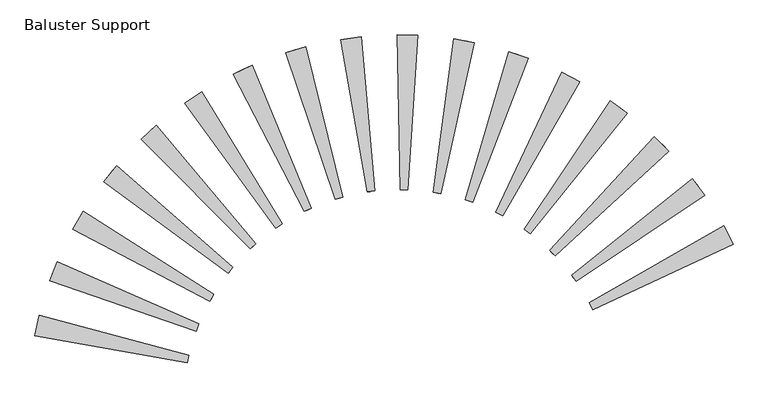
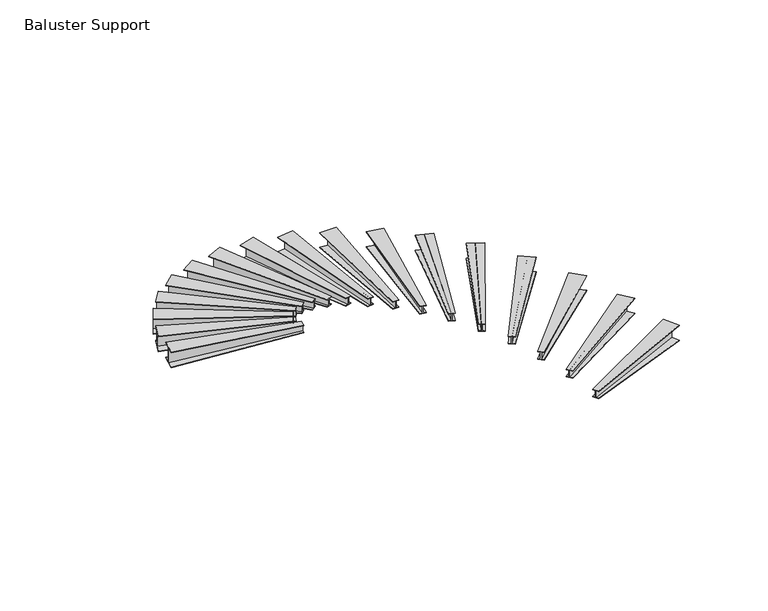
"""IFC4 building model written with IfcOpenShell, lengths in millimetres: railing geometry, Baluster Support."""

from ifc_helpers import new_model, si_unit, origin, place, context, project, spatial, faceted_brep, source, transform, mapped, element, save


def baluster_support_330a12c6(model_context):
    return source(origin(), model_context, "Body", "Brep", [
        faceted_brep([(3503.5731122, -2504.9448572, 2834.9222222), (3487.0601742, -2579.334123, 2834.9222222), (3487.0601742, -2579.334123, 2828.5722222), (3493.940565, -2548.3385956, 2828.5722222), (3493.940565, -2548.3385956, 2739.6722222), (3487.0601742, -2579.334123, 2739.6722222), (3487.0601742, -2579.334123, 2733.3222222), (3503.5731122, -2504.9448572, 2733.3222222), (3503.5731122, -2504.9448572, 2739.6722222), (3496.6927214, -2535.9403846, 2739.6722222), (3496.6927214, -2535.9403846, 2828.5722222), (3503.5731122, -2504.9448572, 2828.5722222), (2029.5485761, -2112.6950427, 2834.9222222), (2029.5485761, -2112.6950427, 2828.5722222), (2008.9074036, -2205.6816251, 2828.5722222), (2008.9074036, -2205.6816251, 2638.0722222), (2029.5485761, -2112.6950427, 2638.0722222), (2029.5485761, -2112.6950427, 2631.7222222), (1985.5140748, -2311.0664184, 2631.7222222), (1985.5140748, -2311.0664184, 2638.0722222), (2006.1552473, -2218.0798361, 2638.0722222), (2006.1552473, -2218.0798361, 2828.5722222), (1985.5140748, -2311.0664184, 2828.5722222), (1985.5140748, -2311.0664184, 2834.9222222)], [[[0, 1, 2, 3, 4, 5, 6, 7, 8, 9, 10, 11]], [[12, 13, 14, 15, 16, 17, 18, 19, 20, 21, 22, 23]], [[12, 23, 1, 0]], [[23, 22, 2, 1]], [[22, 21, 3, 2]], [[21, 20, 4, 3]], [[20, 19, 5, 4]], [[19, 18, 6, 5]], [[18, 17, 7, 6]], [[17, 16, 8, 7]], [[16, 15, 9, 8]], [[15, 14, 10, 9]], [[14, 13, 11, 10]], [[13, 12, 0, 11]]]),
        faceted_brep([(3603.7628621, -2195.0358626, 2672.6444444), (3576.1213979, -2266.0456468, 2672.6444444), (3576.1213979, -2266.0456468, 2666.2944444), (3587.6386746, -2236.4582367, 2666.2944444), (3587.6386746, -2236.4582367, 2577.3944444), (3576.1213979, -2266.0456468, 2577.3944444), (3576.1213979, -2266.0456468, 2571.0444444), (3603.7628621, -2195.0358626, 2571.0444444), (3603.7628621, -2195.0358626, 2577.3944444), (3592.2455853, -2224.6232727, 2577.3944444), (3592.2455853, -2224.6232727, 2666.2944444), (3603.7628621, -2195.0358626, 2666.2944444), (2206.6017313, -1583.0317576, 2672.6444444), (2206.6017313, -1583.0317576, 2666.2944444), (2172.049901, -1671.7939878, 2666.2944444), (2172.049901, -1671.7939878, 2475.7944444), (2206.6017313, -1583.0317576, 2475.7944444), (2206.6017313, -1583.0317576, 2469.4444444), (2132.89116, -1772.3911822, 2469.4444444), (2132.89116, -1772.3911822, 2475.7944444), (2167.4429903, -1683.6289519, 2475.7944444), (2167.4429903, -1683.6289519, 2666.2944444), (2132.89116, -1772.3911822, 2666.2944444), (2132.89116, -1772.3911822, 2672.6444444)], [[[0, 1, 2, 3, 4, 5, 6, 7, 8, 9, 10, 11]], [[12, 13, 14, 15, 16, 17, 18, 19, 20, 21, 22, 23]], [[12, 23, 1, 0]], [[23, 22, 2, 1]], [[22, 21, 3, 2]], [[21, 20, 4, 3]], [[20, 19, 5, 4]], [[19, 18, 6, 5]], [[18, 17, 7, 6]], [[17, 16, 8, 7]], [[16, 15, 9, 8]], [[15, 14, 10, 9]], [[14, 13, 11, 10]], [[13, 12, 0, 11]]]),
        faceted_brep([(3749.9488511, -1903.9839298, 2510.3666667), (3711.8227874, -1969.9600109, 2510.3666667), (3711.8227874, -1969.9600109, 2504.0166667), (3727.7086472, -1942.4699771, 2504.0166667), (3727.7086472, -1942.4699771, 2415.1166667), (3711.8227874, -1969.9600109, 2415.1166667), (3711.8227874, -1969.9600109, 2408.7666667), (3749.9488511, -1903.9839298, 2408.7666667), (3749.9488511, -1903.9839298, 2415.1166667), (3734.0629912, -1931.4739636, 2415.1166667), (3734.0629912, -1931.4739636, 2504.0166667), (3749.9488511, -1903.9839298, 2504.0166667), (2462.1989502, -1086.4825887, 2510.3666667), (2462.1989502, -1086.4825887, 2504.0166667), (2414.5413706, -1168.95269, 2504.0166667), (2414.5413706, -1168.95269, 2313.5166667), (2462.1989502, -1086.4825887, 2313.5166667), (2462.1989502, -1086.4825887, 2307.1666667), (2360.529447, -1262.4188048, 2307.1666667), (2360.529447, -1262.4188048, 2313.5166667), (2408.1870266, -1179.9487035, 2313.5166667), (2408.1870266, -1179.9487035, 2504.0166667), (2360.529447, -1262.4188048, 2504.0166667), (2360.529447, -1262.4188048, 2510.3666667)], [[[0, 1, 2, 3, 4, 5, 6, 7, 8, 9, 10, 11]], [[12, 13, 14, 15, 16, 17, 18, 19, 20, 21, 22, 23]], [[12, 23, 1, 0]], [[23, 22, 2, 1]], [[22, 21, 3, 2]], [[21, 20, 4, 3]], [[20, 19, 5, 4]], [[19, 18, 6, 5]], [[18, 17, 7, 6]], [[17, 16, 8, 7]], [[16, 15, 9, 8]], [[15, 14, 10, 9]], [[14, 13, 11, 10]], [[13, 12, 0, 11]]]),
        faceted_brep([(3938.7255764, -1638.5693129, 2348.0888889), (3891.003086, -1697.9747328, 2348.0888889), (3891.003086, -1697.9747328, 2341.7388889), (3910.887457, -1673.2224745, 2341.7388889), (3910.887457, -1673.2224745, 2252.8388889), (3891.003086, -1697.9747328, 2252.8388889), (3891.003086, -1697.9747328, 2246.4888889), (3938.7255764, -1638.5693129, 2246.4888889), (3938.7255764, -1638.5693129, 2252.8388889), (3918.8412054, -1663.3215712, 2252.8388889), (3918.8412054, -1663.3215712, 2341.7388889), (3938.7255764, -1638.5693129, 2341.7388889), (2790.3859206, -634.6149887, 2348.0888889), (2790.3859206, -634.6149887, 2341.7388889), (2730.7328076, -708.8717636, 2341.7388889), (2730.7328076, -708.8717636, 2151.2388889), (2790.3859206, -634.6149887, 2151.2388889), (2790.3859206, -634.6149887, 2144.8888889), (2663.1259463, -793.0294418, 2144.8888889), (2663.1259463, -793.0294418, 2151.2388889), (2722.7790592, -718.7726669, 2151.2388889), (2722.7790592, -718.7726669, 2341.7388889), (2663.1259463, -793.0294418, 2341.7388889), (2663.1259463, -793.0294418, 2348.0888889)], [[[0, 1, 2, 3, 4, 5, 6, 7, 8, 9, 10, 11]], [[12, 13, 14, 15, 16, 17, 18, 19, 20, 21, 22, 23]], [[12, 23, 1, 0]], [[23, 22, 2, 1]], [[22, 21, 3, 2]], [[21, 20, 4, 3]], [[20, 19, 5, 4]], [[19, 18, 6, 5]], [[18, 17, 7, 6]], [[17, 16, 8, 7]], [[16, 15, 9, 8]], [[15, 14, 10, 9]], [[14, 13, 11, 10]], [[13, 12, 0, 11]]]),
        faceted_brep([(4165.6953551, -1404.9750269, 2185.8111111), (4109.4881661, -1456.4258957, 2185.8111111), (4109.4881661, -1456.4258957, 2179.4611111), (4132.9078282, -1434.9880337, 2179.4611111), (4132.9078282, -1434.9880337, 2090.5611111), (4109.4881661, -1456.4258957, 2090.5611111), (4109.4881661, -1456.4258957, 2084.2111111), (4165.6953551, -1404.9750269, 2084.2111111), (4165.6953551, -1404.9750269, 2090.5611111), (4142.275693, -1426.4128889, 2090.5611111), (4142.275693, -1426.4128889, 2179.4611111), (4165.6953551, -1404.9750269, 2179.4611111), (3183.5173025, -237.9555227, 2185.8111111), (3183.5173025, -237.9555227, 2179.4611111), (3113.2583163, -302.2691088, 2179.4611111), (3113.2583163, -302.2691088, 1988.9611111), (3183.5173025, -237.9555227, 1988.9611111), (3183.5173025, -237.9555227, 1982.6111111), (3033.6314652, -375.1578396, 1982.6111111), (3033.6314652, -375.1578396, 1988.9611111), (3103.8904514, -310.8442536, 1988.9611111), (3103.8904514, -310.8442536, 2179.4611111), (3033.6314652, -375.1578396, 2179.4611111), (3033.6314652, -375.1578396, 2185.8111111)], [[[0, 1, 2, 3, 4, 5, 6, 7, 8, 9, 10, 11]], [[12, 13, 14, 15, 16, 17, 18, 19, 20, 21, 22, 23]], [[12, 23, 1, 0]], [[23, 22, 2, 1]], [[22, 21, 3, 2]], [[21, 20, 4, 3]], [[20, 19, 5, 4]], [[19, 18, 6, 5]], [[18, 17, 7, 6]], [[17, 16, 8, 7]], [[16, 15, 9, 8]], [[15, 14, 10, 9]], [[14, 13, 11, 10]], [[13, 12, 0, 11]]]),
        faceted_brep([(4425.5707709, -1208.6428105, 2023.5333333), (4362.1882682, -1250.9405451, 2023.5333333), (4362.1882682, -1250.9405451, 2017.1833333), (4388.5976443, -1233.316489, 2017.1833333), (4388.5976443, -1233.316489, 1928.2833333), (4362.1882682, -1250.9405451, 1928.2833333), (4362.1882682, -1250.9405451, 1921.9333333), (4425.5707709, -1208.6428105, 1921.9333333), (4425.5707709, -1208.6428105, 1928.2833333), (4399.1613948, -1226.2668666, 1928.2833333), (4399.1613948, -1226.2668666, 2017.1833333), (4425.5707709, -1208.6428105, 2017.1833333), (3632.4348314, 94.2553557, 2023.5333333), (3632.4348314, 94.2553557, 2017.1833333), (3553.206703, 41.3831874, 2017.1833333), (3553.206703, 41.3831874, 1826.6833333), (3632.4348314, 94.2553557, 1826.6833333), (3632.4348314, 94.2553557, 1820.3333333), (3463.4148242, -18.5386032, 1820.3333333), (3463.4148242, -18.5386032, 1826.6833333), (3542.6429525, 34.333565, 1826.6833333), (3542.6429525, 34.333565, 2017.1833333), (3463.4148242, -18.5386032, 2017.1833333), (3463.4148242, -18.5386032, 2023.5333333)], [[[0, 1, 2, 3, 4, 5, 6, 7, 8, 9, 10, 11]], [[12, 13, 14, 15, 16, 17, 18, 19, 20, 21, 22, 23]], [[12, 23, 1, 0]], [[23, 22, 2, 1]], [[22, 21, 3, 2]], [[21, 20, 4, 3]], [[20, 19, 5, 4]], [[19, 18, 6, 5]], [[18, 17, 7, 6]], [[17, 16, 8, 7]], [[16, 15, 9, 8]], [[15, 14, 10, 9]], [[14, 13, 11, 10]], [[13, 12, 0, 11]]]),
        faceted_brep([(4712.2978481, -1054.1463571, 1861.2555556), (4643.2165705, -1086.3056028, 1861.2555556), (4643.2165705, -1086.3056028, 1854.9055556), (4672.0004362, -1072.9059171, 1854.9055556), (4672.0004362, -1072.9059171, 1766.0055556), (4643.2165705, -1086.3056028, 1766.0055556), (4643.2165705, -1086.3056028, 1759.6555556), (4712.2978481, -1054.1463571, 1759.6555556), (4712.2978481, -1054.1463571, 1766.0055556), (4683.5139825, -1067.5460428, 1766.0055556), (4683.5139825, -1067.5460428, 1854.9055556), (4712.2978481, -1054.1463571, 1854.9055556), (4126.6806661, 354.2785667, 1861.2555556), (4126.6806661, 354.2785667, 1854.9055556), (4040.3290691, 314.0795096, 1854.9055556), (4040.3290691, 314.0795096, 1664.4055556), (4126.6806661, 354.2785667, 1664.4055556), (4126.6806661, 354.2785667, 1658.0555556), (3942.4639258, 268.5205782, 1658.0555556), (3942.4639258, 268.5205782, 1664.4055556), (4028.8155228, 308.7196353, 1664.4055556), (4028.8155228, 308.7196353, 1854.9055556), (3942.4639258, 268.5205782, 1854.9055556), (3942.4639258, 268.5205782, 1861.2555556)], [[[0, 1, 2, 3, 4, 5, 6, 7, 8, 9, 10, 11]], [[12, 13, 14, 15, 16, 17, 18, 19, 20, 21, 22, 23]], [[12, 23, 1, 0]], [[23, 22, 2, 1]], [[22, 21, 3, 2]], [[21, 20, 4, 3]], [[20, 19, 5, 4]], [[19, 18, 6, 5]], [[18, 17, 7, 6]], [[17, 16, 8, 7]], [[16, 15, 9, 8]], [[15, 14, 10, 9]], [[14, 13, 11, 10]], [[13, 12, 0, 11]]]),
        faceted_brep([(5019.1970833, -945.0847674, 1698.9777778), (4946.0263264, -966.3563525, 1698.9777778), (4946.0263264, -966.3563525, 1692.6277778), (4976.5141418, -957.493192, 1692.6277778), (4976.5141418, -957.493192, 1603.7277778), (4946.0263264, -966.3563525, 1603.7277778), (4946.0263264, -966.3563525, 1597.3777778), (5019.1970833, -945.0847674, 1597.3777778), (5019.1970833, -945.0847674, 1603.7277778), (4988.7092679, -953.9479278, 1603.7277778), (4988.7092679, -953.9479278, 1692.6277778), (5019.1970833, -945.0847674, 1692.6277778), (4654.7410118, 536.0566917, 1698.9777778), (4654.7410118, 536.0566917, 1692.6277778), (4563.2775656, 509.4672103, 1692.6277778), (4563.2775656, 509.4672103, 1502.1277778), (4654.7410118, 536.0566917, 1502.1277778), (4654.7410118, 536.0566917, 1495.7777778), (4459.6189934, 479.3324648, 1495.7777778), (4459.6189934, 479.3324648, 1502.1277778), (4551.0824395, 505.9219462, 1502.1277778), (4551.0824395, 505.9219462, 1692.6277778), (4459.6189934, 479.3324648, 1692.6277778), (4459.6189934, 479.3324648, 1698.9777778)], [[[0, 1, 2, 3, 4, 5, 6, 7, 8, 9, 10, 11]], [[12, 13, 14, 15, 16, 17, 18, 19, 20, 21, 22, 23]], [[12, 23, 1, 0]], [[23, 22, 2, 1]], [[22, 21, 3, 2]], [[21, 20, 4, 3]], [[20, 19, 5, 4]], [[19, 18, 6, 5]], [[18, 17, 7, 6]], [[17, 16, 8, 7]], [[16, 15, 9, 8]], [[15, 14, 10, 9]], [[14, 13, 11, 10]], [[13, 12, 0, 11]]]),
        faceted_brep([(5339.1190488, -883.9987056, 1536.7), (5263.5633754, -893.887094, 1536.7), (5263.5633754, -893.887094, 1530.35), (5295.044906, -889.7669322, 1530.35), (5295.044906, -889.7669322, 1441.45), (5263.5633754, -893.887094, 1441.45), (5263.5633754, -893.887094, 1435.1), (5339.1190488, -883.9987056, 1435.1), (5339.1190488, -883.9987056, 1441.45), (5307.6375182, -888.1188674, 1441.45), (5307.6375182, -888.1188674, 1530.35), (5339.1190488, -883.9987056, 1530.35), (5204.3143413, 635.355085, 1536.7), (5204.3143413, 635.355085, 1530.35), (5109.8697496, 622.9945994, 1530.35), (5109.8697496, 622.9945994, 1339.85), (5204.3143413, 635.355085, 1339.85), (5204.3143413, 635.355085, 1333.5), (5002.8325457, 608.9860491, 1333.5), (5002.8325457, 608.9860491, 1339.85), (5097.2771374, 621.3465347, 1339.85), (5097.2771374, 621.3465347, 1530.35), (5002.8325457, 608.9860491, 1530.35), (5002.8325457, 608.9860491, 1536.7)], [[[0, 1, 2, 3, 4, 5, 6, 7, 8, 9, 10, 11]], [[12, 13, 14, 15, 16, 17, 18, 19, 20, 21, 22, 23]], [[12, 23, 1, 0]], [[23, 22, 2, 1]], [[22, 21, 3, 2]], [[21, 20, 4, 3]], [[20, 19, 5, 4]], [[19, 18, 6, 5]], [[18, 17, 7, 6]], [[17, 16, 8, 7]], [[16, 15, 9, 8]], [[15, 14, 10, 9]], [[14, 13, 11, 10]], [[13, 12, 0, 11]]]),
        faceted_brep([(5664.6109433, -872.3112134, 1374.4222222), (5588.4304747, -870.5860483, 1374.4222222), (5588.4304747, -870.5860483, 1368.0722222), (5620.1723366, -871.3048671, 1368.0722222), (5620.1723366, -871.3048671, 1279.1722222), (5588.4304747, -870.5860483, 1279.1722222), (5588.4304747, -870.5860483, 1272.8222222), (5664.6109433, -872.3112134, 1272.8222222), (5664.6109433, -872.3112134, 1279.1722222), (5632.8690814, -871.5923946, 1279.1722222), (5632.8690814, -871.5923946, 1368.0722222), (5664.6109433, -872.3112134, 1368.0722222), (5762.5979679, 649.8605223, 1374.4222222), (5762.5979679, 649.8605223, 1368.0722222), (5667.3723821, 652.0169786, 1368.0722222), (5667.3723821, 652.0169786, 1177.5722222), (5762.5979679, 649.8605223, 1177.5722222), (5762.5979679, 649.8605223, 1171.2222222), (5559.4500515, 654.4609624, 1171.2222222), (5559.4500515, 654.4609624, 1177.5722222), (5654.6756373, 652.3045061, 1177.5722222), (5654.6756373, 652.3045061, 1368.0722222), (5559.4500515, 654.4609624, 1368.0722222), (5559.4500515, 654.4609624, 1374.4222222)], [[[0, 1, 2, 3, 4, 5, 6, 7, 8, 9, 10, 11]], [[12, 13, 14, 15, 16, 17, 18, 19, 20, 21, 22, 23]], [[12, 23, 1, 0]], [[23, 22, 2, 1]], [[22, 21, 3, 2]], [[21, 20, 4, 3]], [[20, 19, 5, 4]], [[19, 18, 6, 5]], [[18, 17, 7, 6]], [[17, 16, 8, 7]], [[16, 15, 9, 8]], [[15, 14, 10, 9]], [[14, 13, 11, 10]], [[13, 12, 0, 11]]]),
        faceted_brep([(5988.0902107, -910.2945589, 1212.1444444), (5913.0596228, -896.9960293, 1212.1444444), (5913.0596228, -896.9960293, 1205.7944444), (5944.3223678, -902.5370833, 1205.7944444), (5944.3223678, -902.5370833, 1116.8944444), (5913.0596228, -896.9960293, 1116.8944444), (5913.0596228, -896.9960293, 1110.5444444), (5988.0902107, -910.2945589, 1110.5444444), (5988.0902107, -910.2945589, 1116.8944444), (5956.8274657, -904.7535049, 1116.8944444), (5956.8274657, -904.7535049, 1205.7944444), (5988.0902107, -910.2945589, 1205.7944444), (6316.5862924, 579.2350898, 1212.1444444), (6316.5862924, 579.2350898, 1205.7944444), (6222.7980576, 595.8582518, 1205.7944444), (6222.7980576, 595.8582518, 1015.2944444), (6316.5862924, 579.2350898, 1015.2944444), (6316.5862924, 579.2350898, 1008.9444444), (6116.5047249, 614.6978354, 1008.9444444), (6116.5047249, 614.6978354, 1015.2944444), (6210.2929597, 598.0746734, 1015.2944444), (6210.2929597, 598.0746734, 1205.7944444), (6116.5047249, 614.6978354, 1205.7944444), (6116.5047249, 614.6978354, 1212.1444444)], [[[0, 1, 2, 3, 4, 5, 6, 7, 8, 9, 10, 11]], [[12, 13, 14, 15, 16, 17, 18, 19, 20, 21, 22, 23]], [[12, 23, 1, 0]], [[23, 22, 2, 1]], [[22, 21, 3, 2]], [[21, 20, 4, 3]], [[20, 19, 5, 4]], [[19, 18, 6, 5]], [[18, 17, 7, 6]], [[17, 16, 8, 7]], [[16, 15, 9, 8]], [[15, 14, 10, 9]], [[14, 13, 11, 10]], [[13, 12, 0, 11]]]),
        faceted_brep([(6302.0211798, -997.063894, 1049.8666667), (6229.8883617, -972.5017982, 1049.8666667), (6229.8883617, -972.5017982, 1043.5166667), (6259.9437026, -982.7360048, 1043.5166667), (6259.9437026, -982.7360048, 954.6166667), (6229.8883617, -972.5017982, 954.6166667), (6229.8883617, -972.5017982, 948.2666667), (6302.0211798, -997.063894, 948.2666667), (6302.0211798, -997.063894, 954.6166667), (6271.9658389, -986.8296875, 954.6166667), (6271.9658389, -986.8296875, 1043.5166667), (6302.0211798, -997.063894, 1043.5166667), (6853.3737778, 425.1240551, 1049.8666667), (6853.3737778, 425.1240551, 1043.5166667), (6763.2077551, 455.8266749, 1043.5166667), (6763.2077551, 455.8266749, 853.0166667), (6853.3737778, 425.1240551, 853.0166667), (6853.3737778, 425.1240551, 846.6666667), (6661.0195961, 490.6229773, 846.6666667), (6661.0195961, 490.6229773, 853.0166667), (6751.1856188, 459.9203575, 853.0166667), (6751.1856188, 459.9203575, 1043.5166667), (6661.0195961, 490.6229773, 1043.5166667), (6661.0195961, 490.6229773, 1049.8666667)], [[[0, 1, 2, 3, 4, 5, 6, 7, 8, 9, 10, 11]], [[12, 13, 14, 15, 16, 17, 18, 19, 20, 21, 22, 23]], [[12, 23, 1, 0]], [[23, 22, 2, 1]], [[22, 21, 3, 2]], [[21, 20, 4, 3]], [[20, 19, 5, 4]], [[19, 18, 6, 5]], [[18, 17, 7, 6]], [[17, 16, 8, 7]], [[16, 15, 9, 8]], [[15, 14, 10, 9]], [[14, 13, 11, 10]], [[13, 12, 0, 11]]]),
        faceted_brep([(6599.090614, -1130.5978679, 887.5888889), (6531.535949, -1095.3443967, 887.5888889), (6531.535949, -1095.3443967, 881.2388889), (6559.6837261, -1110.033343, 881.2388889), (6559.6837261, -1110.033343, 792.3388889), (6531.535949, -1095.3443967, 792.3388889), (6531.535949, -1095.3443967, 785.9888889), (6599.090614, -1130.5978679, 785.9888889), (6599.090614, -1130.5978679, 792.3388889), (6570.9428369, -1115.9089215, 792.3388889), (6570.9428369, -1115.9089215, 881.2388889), (6599.090614, -1130.5978679, 881.2388889), (7360.4555921, 191.1175403, 887.5888889), (7360.4555921, 191.1175403, 881.2388889), (7276.0122608, 235.1843793, 881.2388889), (7276.0122608, 235.1843793, 690.7388889), (7360.4555921, 191.1175403, 690.7388889), (7360.4555921, 191.1175403, 684.3888889), (7180.3098187, 285.1267968, 684.3888889), (7180.3098187, 285.1267968, 690.7388889), (7264.75315, 241.0599578, 690.7388889), (7264.75315, 241.0599578, 881.2388889), (7180.3098187, 285.1267968, 881.2388889), (7180.3098187, 285.1267968, 887.5888889)], [[[0, 1, 2, 3, 4, 5, 6, 7, 8, 9, 10, 11]], [[12, 13, 14, 15, 16, 17, 18, 19, 20, 21, 22, 23]], [[12, 23, 1, 0]], [[23, 22, 2, 1]], [[22, 21, 3, 2]], [[21, 20, 4, 3]], [[20, 19, 5, 4]], [[19, 18, 6, 5]], [[18, 17, 7, 6]], [[17, 16, 8, 7]], [[16, 15, 9, 8]], [[15, 14, 10, 9]], [[14, 13, 11, 10]], [[13, 12, 0, 11]]]),
        faceted_brep([(6872.3780776, -1307.785715, 725.3111111), (6810.9752978, -1262.6621222, 725.3111111), (6810.9752978, -1262.6621222, 718.9611111), (6836.5597894, -1281.4636192, 718.9611111), (6836.5597894, -1281.4636192, 630.0611111), (6810.9752978, -1262.6621222, 630.0611111), (6810.9752978, -1262.6621222, 623.7111111), (6872.3780776, -1307.785715, 623.7111111), (6872.3780776, -1307.785715, 630.0611111), (6846.793586, -1288.984218, 630.0611111), (6846.793586, -1288.984218, 718.9611111), (6872.3780776, -1307.785715, 718.9611111), (7826.0189176, -117.3331128, 725.3111111), (7826.0189176, -117.3331128, 718.9611111), (7749.2654429, -60.9286217, 718.9611111), (7749.2654429, -60.9286217, 528.4611111), (7826.0189176, -117.3331128, 528.4611111), (7826.0189176, -117.3331128, 522.1111111), (7662.2781715, 2.9964681, 522.1111111), (7662.2781715, 2.9964681, 528.4611111), (7739.0316462, -53.4080229, 528.4611111), (7739.0316462, -53.4080229, 718.9611111), (7662.2781715, 2.9964681, 718.9611111), (7662.2781715, 2.9964681, 725.3111111)], [[[0, 1, 2, 3, 4, 5, 6, 7, 8, 9, 10, 11]], [[12, 13, 14, 15, 16, 17, 18, 19, 20, 21, 22, 23]], [[12, 23, 1, 0]], [[23, 22, 2, 1]], [[22, 21, 3, 2]], [[21, 20, 4, 3]], [[20, 19, 5, 4]], [[19, 18, 6, 5]], [[18, 17, 7, 6]], [[17, 16, 8, 7]], [[16, 15, 9, 8]], [[15, 14, 10, 9]], [[14, 13, 11, 10]], [[13, 12, 0, 11]]]),
        faceted_brep([(7115.517152, -1524.4997234, 563.0333333), (7061.6966772, -1470.5571939, 563.0333333), (7061.6966772, -1470.5571939, 556.6833333), (7084.121875, -1493.0332478, 556.6833333), (7084.121875, -1493.0332478, 467.7833333), (7061.6966772, -1470.5571939, 467.7833333), (7061.6966772, -1470.5571939, 461.4333333), (7115.517152, -1524.4997234, 461.4333333), (7115.517152, -1524.4997234, 467.7833333), (7093.0919542, -1502.0236694, 467.7833333), (7093.0919542, -1502.0236694, 556.6833333), (7115.517152, -1524.4997234, 556.6833333), (8239.218138, -493.042335, 563.0333333), (8239.218138, -493.042335, 556.6833333), (8171.9425445, -425.6141731, 556.6833333), (8171.9425445, -425.6141731, 366.1833333), (8239.218138, -493.042335, 366.1833333), (8239.218138, -493.042335, 359.8333333), (8095.6968719, -349.1955896, 359.8333333), (8095.6968719, -349.1955896, 366.1833333), (8162.9724654, -416.6237515, 366.1833333), (8162.9724654, -416.6237515, 556.6833333), (8095.6968719, -349.1955896, 556.6833333), (8095.6968719, -349.1955896, 563.0333333)], [[[0, 1, 2, 3, 4, 5, 6, 7, 8, 9, 10, 11]], [[12, 13, 14, 15, 16, 17, 18, 19, 20, 21, 22, 23]], [[12, 23, 1, 0]], [[23, 22, 2, 1]], [[22, 21, 3, 2]], [[21, 20, 4, 3]], [[20, 19, 5, 4]], [[19, 18, 6, 5]], [[18, 17, 7, 6]], [[17, 16, 8, 7]], [[16, 15, 9, 8]], [[15, 14, 10, 9]], [[14, 13, 11, 10]], [[13, 12, 0, 11]]]),
        faceted_brep([(7322.8437461, -1775.6913918, 400.7555556), (7277.8593611, -1714.1865537, 400.7555556), (7277.8593611, -1714.1865537, 394.4055556), (7296.6028549, -1739.8135696, 394.4055556), (7296.6028549, -1739.8135696, 305.5055556), (7277.8593611, -1714.1865537, 305.5055556), (7277.8593611, -1714.1865537, 299.1555556), (7322.8437461, -1775.6913918, 299.1555556), (7322.8437461, -1775.6913918, 305.5055556), (7304.1002524, -1750.0643759, 305.5055556), (7304.1002524, -1750.0643759, 394.4055556), (7322.8437461, -1775.6913918, 394.4055556), (8590.4274947, -927.257723, 400.7555556), (8590.4274947, -927.257723, 394.4055556), (8534.1970134, -850.3766755, 394.4055556), (8534.1970134, -850.3766755, 203.9055556), (8590.4274947, -927.257723, 203.9055556), (8590.4274947, -927.257723, 197.5555556), (8470.4691347, -763.2448216, 197.5555556), (8470.4691347, -763.2448216, 203.9055556), (8526.6996159, -840.1258691, 203.9055556), (8526.6996159, -840.1258691, 394.4055556), (8470.4691347, -763.2448216, 394.4055556), (8470.4691347, -763.2448216, 400.7555556)], [[[0, 1, 2, 3, 4, 5, 6, 7, 8, 9, 10, 11]], [[12, 13, 14, 15, 16, 17, 18, 19, 20, 21, 22, 23]], [[12, 23, 1, 0]], [[23, 22, 2, 1]], [[22, 21, 3, 2]], [[21, 20, 4, 3]], [[20, 19, 5, 4]], [[19, 18, 6, 5]], [[18, 17, 7, 6]], [[17, 16, 8, 7]], [[16, 15, 9, 8]], [[15, 14, 10, 9]], [[14, 13, 11, 10]], [[13, 12, 0, 11]]]),
        faceted_brep([(7489.5280451, -2055.5090385, 238.4777778), (7454.4276919, -1987.8746892, 238.4777778), (7454.4276919, -1987.8746892, 232.1277778), (7469.0528391, -2016.055668, 232.1277778), (7469.0528391, -2016.055668, 143.2277778), (7454.4276919, -1987.8746892, 143.2277778), (7454.4276919, -1987.8746892, 136.8777778), (7489.5280451, -2055.5090385, 136.8777778), (7489.5280451, -2055.5090385, 143.2277778), (7474.9028979, -2027.3280596, 143.2277778), (7474.9028979, -2027.3280596, 232.1277778), (7489.5280451, -2055.5090385, 232.1277778), (8871.4653254, -1409.8639322, 238.4777778), (8871.4653254, -1409.8639322, 232.1277778), (8827.5898839, -1325.3209956, 232.1277778), (8827.5898839, -1325.3209956, 41.6277778), (8871.4653254, -1409.8639322, 41.6277778), (8871.4653254, -1409.8639322, 35.2777778), (8777.8643836, -1229.5056674, 35.2777778), (8777.8643836, -1229.5056674, 41.6277778), (8821.7398251, -1314.0486041, 41.6277778), (8821.7398251, -1314.0486041, 232.1277778), (8777.8643836, -1229.5056674, 232.1277778), (8777.8643836, -1229.5056674, 238.4777778)], [[[0, 1, 2, 3, 4, 5, 6, 7, 8, 9, 10, 11]], [[12, 13, 14, 15, 16, 17, 18, 19, 20, 21, 22, 23]], [[12, 23, 1, 0]], [[23, 22, 2, 1]], [[22, 21, 3, 2]], [[21, 20, 4, 3]], [[20, 19, 5, 4]], [[19, 18, 6, 5]], [[18, 17, 7, 6]], [[17, 16, 8, 7]], [[16, 15, 9, 8]], [[15, 14, 10, 9]], [[14, 13, 11, 10]], [[13, 12, 0, 11]]]),
    ])


if __name__ == "__main__":
    model = new_model("IFC4")
    model_context = context("Model", 3, world=origin())
    ifc_project = project(units=[si_unit("LENGTHUNIT", "METRE", prefix="MILLI")], contexts=[model_context])
    site = spatial("IfcSite", under=ifc_project)
    building = spatial("IfcBuilding", under=site)
    placement = place(None, origin())
    baluster_support_shape = baluster_support_330a12c6(model_context)
    element("IfcRailing", 1, ObjectType="Baluster Support", at=placement, inside=building, context=model_context, shape_type="MappedRepresentation", body=[
        mapped(baluster_support_shape, transform((0.0, 0.0, 0.0), x_axis=(1.0, 0.0, 0.0), y_axis=(0.0, 1.0, 0.0), z_axis=(0.0, 0.0, 1.0))),
    ])
    save(model, "model.ifc")
